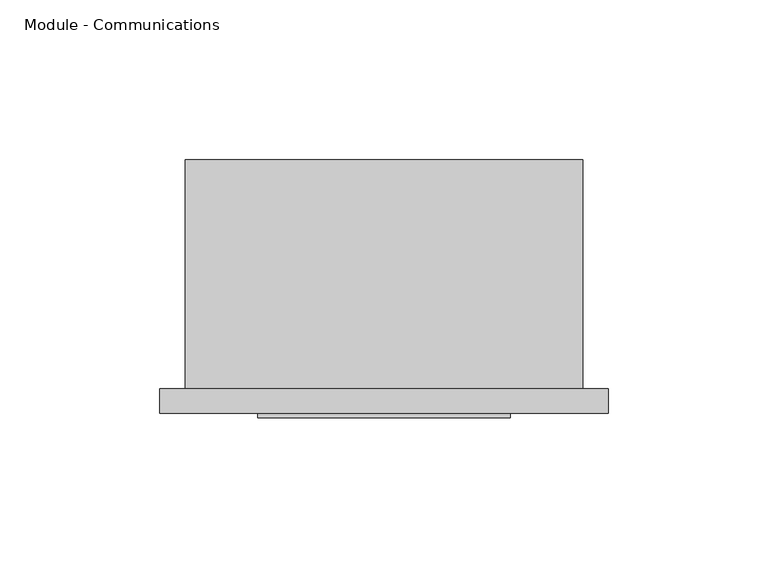
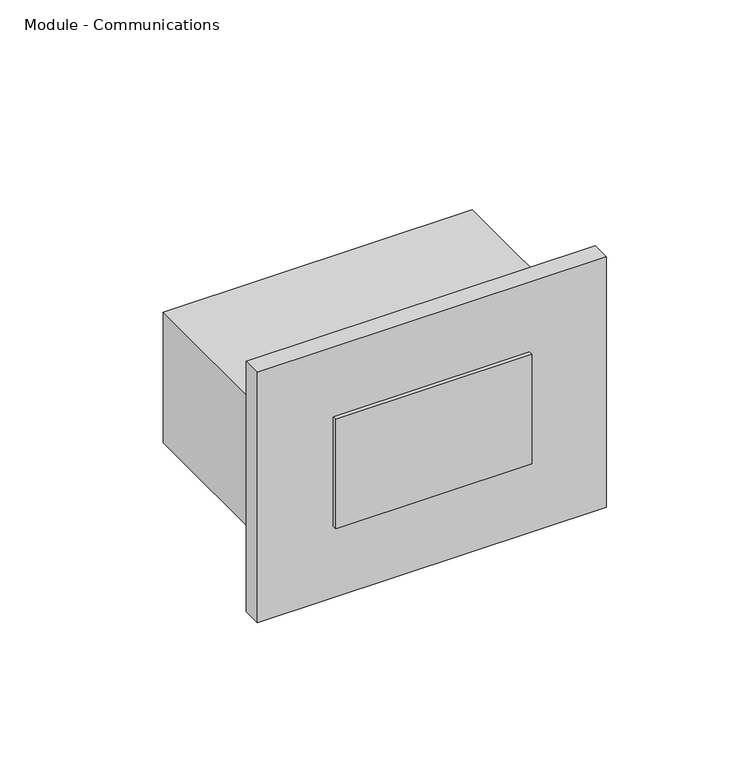
"""IFC4 building model written with IfcOpenShell, lengths in millimetres: proxy geometry, Module - Communications."""

from ifc_helpers import new_model, si_unit, frame, origin, place, context, project, spatial, polyline, outline, extrude, source, transform, mapped, element, save


def module_communications_99d5fc04(model_context):
    return source(origin(), model_context, "Body", "SweptSolid", [
        extrude(outline(polyline([(22.7020438, -5.8928), (101.7468438, -5.8928), (101.7468438, -9.0678), (22.7020438, -9.0678), (22.7020438, -5.8928)])), frame((0.0, 0.0, 814.9336), z_axis=(0.0, 0.0, 1.0), x_axis=(1.0, 0.0, 0.0)), (0.0, 0.0, 1.0), 46.5328),
        extrude(outline(polyline([(-7.9502, 0.0), (132.4102, 0.0), (132.4102, -7.6580661), (-7.9502, -7.6580661), (-7.9502, 0.0)])), frame((0.0, 0.0, 784.9108), z_axis=(0.0, 0.0, 1.0), x_axis=(1.0, 0.0, 0.0)), (0.0, 0.0, 1.0), 106.5784),
        extrude(outline(polyline([(124.46, 0.0), (0.0, 0.0), (0.0, 71.7296), (124.46, 71.7296), (124.46, 0.0)])), frame((0.0, 0.0, 810.4251), z_axis=(0.0, 0.0, 1.0), x_axis=(1.0, 0.0, 0.0)), (0.0, 0.0, 1.0), 55.5625),
    ])


if __name__ == "__main__":
    model = new_model("IFC4")
    model_context = context("Model", 3, world=origin())
    ifc_project = project(units=[si_unit("LENGTHUNIT", "METRE", prefix="MILLI")], contexts=[model_context])
    site = spatial("IfcSite", under=ifc_project)
    building = spatial("IfcBuilding", under=site)
    placement = place(None, origin())
    module_communications_shape = module_communications_99d5fc04(model_context)
    element("IfcBuildingElementProxy", 1, Name="Module - Communications", ObjectType="Module - Communications", at=placement, inside=building, context=model_context, shape_type="MappedRepresentation", body=[
        mapped(module_communications_shape, transform((0.0, 0.0, 0.0), x_axis=(1.0, 0.0, 0.0), y_axis=(0.0, 1.0, 0.0), z_axis=(0.0, 0.0, 1.0))),
    ])
    save(model, "model.ifc")
